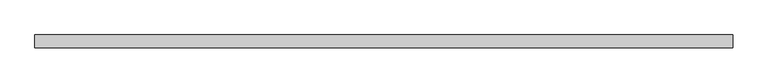
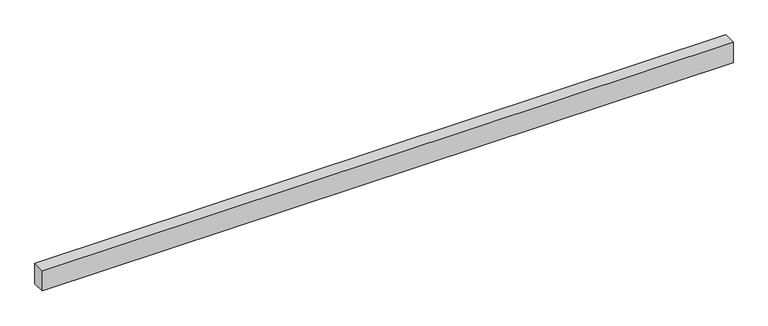
"""IFC4 building model written with IfcOpenShell, lengths in millimetres: proxy geometry."""

import ifcopenshell
import ifcopenshell.guid

model = None  # the IFC model being written
_history = None  # IfcOwnerHistory: only IFC2X3 demands one
_inside = {}  # id of a spatial element -> (the spatial element, [elements in it])
_under = {}  # id of a project, library or spatial element -> (it, [spatial elements below it])
_declared = {}  # id of a project -> (the project, [libraries it declares])
_typed = {}  # id of a type object -> (the type object, [elements of that type])
_made_of = {}  # id of a material, layer set ... -> (it, [elements and type objects made of it])


def new_model(schema):
    """Start an empty IFC model of exactly this schema.

    Asked for "IFC4X3", IfcOpenShell would pick the latest addendum, in which some entities
    have other attributes; the version numbers below select the first issue.
    IFC2X3 requires an IfcOwnerHistory on every rooted entity: one is made here for all.
    """
    global model, _history
    if schema == "IFC4X3":
        model = ifcopenshell.file(schema_version=(4, 3, 0, 0))
    else:
        model = ifcopenshell.file(schema=schema)
    _inside.clear()
    _under.clear()
    _declared.clear()
    _typed.clear()
    _made_of.clear()
    _history = None
    if model.schema == "IFC2X3":
        org = make("IfcOrganization", Name="unknown")
        user = make(
            "IfcPersonAndOrganization",
            ThePerson=make("IfcPerson", FamilyName="unknown"),
            TheOrganization=org,
        )
        app = make(
            "IfcApplication",
            ApplicationDeveloper=org,
            Version="unknown",
            ApplicationFullName="unknown",
            ApplicationIdentifier="unknown",
        )
        _history = make(
            "IfcOwnerHistory",
            OwningUser=user,
            OwningApplication=app,
            ChangeAction="ADDED",
            CreationDate=0,
        )
    return model


def make(cls, **values):
    """One entity of the class cls with the attributes given. An attribute that is None is left unset."""
    return model.create_entity(
        cls, **{name: value for name, value in values.items() if value is not None}
    )


def rooted(cls, **values):
    """An entity with a GlobalId (a new one), such as an element, a storey or a relation."""
    return make(cls, GlobalId=ifcopenshell.guid.new(), OwnerHistory=_history, **values)


def si_unit(unit_type, name, prefix=None):
    """IfcSIUnit, for example si_unit("LENGTHUNIT", "METRE", prefix="MILLI")."""
    return make("IfcSIUnit", UnitType=unit_type, Prefix=prefix, Name=name)


def assignment(units):
    """IfcUnitAssignment: the units of a project."""
    return None if units is None else make("IfcUnitAssignment", Units=units)


def point(xyz):
    """IfcCartesianPoint."""
    return None if xyz is None else make("IfcCartesianPoint", Coordinates=xyz)


def direction(xyz):
    """IfcDirection."""
    return None if xyz is None else make("IfcDirection", DirectionRatios=xyz)


def frame(location, z_axis=None, x_axis=None):
    """IfcAxis2Placement3D, a coordinate frame: its origin and axes. An axis left out is left unset."""
    return make(
        "IfcAxis2Placement3D",
        Location=point(location),
        Axis=direction(z_axis),
        RefDirection=direction(x_axis),
    )


def origin():
    """The frame at (0, 0, 0) with its axes left unset."""
    return frame((0.0, 0.0, 0.0))


def origin_with_axes():
    """The frame at (0, 0, 0) with the z axis (0, 0, 1) and the x axis (1, 0, 0) written out."""
    return frame((0.0, 0.0, 0.0), z_axis=(0.0, 0.0, 1.0), x_axis=(1.0, 0.0, 0.0))


def place(relative_to, where):
    """IfcLocalPlacement: puts the frame where relative to a parent placement (None: the world)."""
    return make(
        "IfcLocalPlacement", PlacementRelTo=relative_to, RelativePlacement=where
    )


def context(
    kind, dimensions, precision=None, world=None, true_north=None, identifier=None
):
    """IfcGeometricRepresentationContext, for example the 3D "Model" context."""
    return make(
        "IfcGeometricRepresentationContext",
        ContextIdentifier=identifier,
        ContextType=kind,
        CoordinateSpaceDimension=dimensions,
        Precision=precision,
        WorldCoordinateSystem=world,
        TrueNorth=true_north,
    )


def project(units=None, contexts=None):
    """IfcProject with its units and contexts."""
    return rooted(
        "IfcProject",
        Name="project",
        RepresentationContexts=contexts,
        UnitsInContext=assignment(units),
    )


def spatial(cls, under=None, at=None, **own):
    """A site, building, storey or space (cls), placed at a placement, below another one or the project."""
    s = rooted(cls, ObjectPlacement=at, **own)
    if under is not None:
        _under.setdefault(under.id(), (under, []))[1].append(s)
    return s


def polyline(points):
    """IfcPolyline through the points."""
    return make("IfcPolyline", Points=[point(p) for p in points])


def outline(outer, holes=None, kind="AREA"):
    """IfcArbitraryClosedProfileDef: a profile drawn as a closed curve; with holes, ...WithVoids."""
    if holes is None:
        return make("IfcArbitraryClosedProfileDef", ProfileType=kind, OuterCurve=outer)
    return make(
        "IfcArbitraryProfileDefWithVoids",
        ProfileType=kind,
        OuterCurve=outer,
        InnerCurves=holes,
    )


def extrude(swept, where, along, depth):
    """IfcExtrudedAreaSolid: the profile swept, set in the frame where, extruded along a direction by depth."""
    return make(
        "IfcExtrudedAreaSolid",
        SweptArea=swept,
        Position=where,
        ExtrudedDirection=direction(along),
        Depth=depth,
    )


def shape(context_of_items, identifier, shape_type, items):
    """IfcShapeRepresentation: the items that make up one representation, for example the "Body"."""
    return make(
        "IfcShapeRepresentation",
        ContextOfItems=context_of_items,
        RepresentationIdentifier=identifier,
        RepresentationType=shape_type,
        Items=items,
    )


def source(mapping_origin, context_of_items, identifier, shape_type, items):
    """IfcRepresentationMap: a shape defined once, which mapped items show again and again."""
    return make(
        "IfcRepresentationMap",
        MappingOrigin=mapping_origin,
        MappedRepresentation=shape(context_of_items, identifier, shape_type, items),
    )


def transform(
    local_origin,
    x_axis=None,
    y_axis=None,
    z_axis=None,
    scale=None,
    scale2=None,
    scale3=None,
    uniform=True,
):
    """IfcCartesianTransformationOperator3D, or its non-uniform kind. x_axis, y_axis, z_axis: its Axis1, 2, 3."""
    if uniform:
        return make(
            "IfcCartesianTransformationOperator3D",
            Axis1=direction(x_axis),
            Axis2=direction(y_axis),
            LocalOrigin=point(local_origin),
            Scale=scale,
            Axis3=direction(z_axis),
        )
    return make(
        "IfcCartesianTransformationOperator3DnonUniform",
        Axis1=direction(x_axis),
        Axis2=direction(y_axis),
        LocalOrigin=point(local_origin),
        Scale=scale,
        Axis3=direction(z_axis),
        Scale2=scale2,
        Scale3=scale3,
    )


def mapped(mapping_source, mapping_target):
    """IfcMappedItem: shows the shape of a source again, moved by a transform."""
    return make(
        "IfcMappedItem", MappingSource=mapping_source, MappingTarget=mapping_target
    )


def made_of(thing, what):
    """Note that an element or type object is made of a material, layer set ...; save() writes the relation."""
    if what is not None:
        _made_of.setdefault(what.id(), (what, []))[1].append(thing)
    return thing


def element(
    cls,
    number,
    at=None,
    inside=None,
    cuts=None,
    type_object=None,
    material=None,
    context=None,
    identifier="Body",
    shape_type=None,
    held_by="IfcProductDefinitionShape",
    body=None,
    shapes=None,
    **own,
):
    """One element of the class cls, such as IfcWall. Its Tag is "e" and its number.

    at: its placement. inside: the storey or other place that contains it. cuts: it is an
    opening in that element (IfcRelVoidsElement). A single representation is given by context,
    identifier, shape_type and body (its items); several are given by shapes. held_by: the class
    of the entity that holds the representations. save() writes the other relations.
    """
    e = rooted(cls, Tag="e%d" % number, ObjectPlacement=at, **own)
    if body is not None:
        shapes = [shape(context, identifier, shape_type, body)]
    if shapes is not None:
        e.Representation = make(held_by, Representations=shapes)
    if inside is not None:
        _inside.setdefault(inside.id(), (inside, []))[1].append(e)
    if cuts is not None:
        rooted(
            "IfcRelVoidsElement", RelatingBuildingElement=cuts, RelatedOpeningElement=e
        )
    if type_object is not None:
        _typed.setdefault(type_object.id(), (type_object, []))[1].append(e)
    return made_of(e, material)


def aggregate(whole, parts):
    """IfcRelAggregates: a whole, such as a stair, and the parts it consists of."""
    return rooted("IfcRelAggregates", RelatingObject=whole, RelatedObjects=parts)


def save(model, path):
    """Write the relations noted so far, then the file.

    IfcRelAggregates (storeys below a building ...), IfcRelContainedInSpatialStructure (elements
    in a storey), IfcRelDefinesByType, IfcRelAssociatesMaterial and IfcRelDeclares: one each for
    every whole, place, type object, material and project.
    """
    for whole, parts in _under.values():
        aggregate(whole, parts)
    for where, things in _inside.values():
        rooted(
            "IfcRelContainedInSpatialStructure",
            RelatedElements=things,
            RelatingStructure=where,
        )
    for kind, things in _typed.values():
        rooted("IfcRelDefinesByType", RelatedObjects=things, RelatingType=kind)
    for what, things in _made_of.values():
        rooted("IfcRelAssociatesMaterial", RelatedObjects=things, RelatingMaterial=what)
    for by, libraries in _declared.values():
        rooted("IfcRelDeclares", RelatingContext=by, RelatedDefinitions=libraries)
    model.write(path)


def generic_models_3a60b1cc(model_context):
    return source(origin(), model_context, "Body", "SweptSolid", [
        extrude(outline(polyline([(16000.0, 300.0), (16000.0, 0.0), (0.0, 0.0), (0.0, 300.0), (16000.0, 300.0)])), origin_with_axes(), (0.0, 0.0, 1.0), 500.0),
    ])


if __name__ == "__main__":
    model = new_model("IFC4")
    model_context = context("Model", 3, world=origin())
    ifc_project = project(units=[si_unit("LENGTHUNIT", "METRE", prefix="MILLI")], contexts=[model_context])
    site = spatial("IfcSite", under=ifc_project)
    building = spatial("IfcBuilding", under=site)
    placement = place(None, origin())
    generic_models_shape = generic_models_3a60b1cc(model_context)
    element("IfcBuildingElementProxy", 1, Name="Generic Models", at=placement, inside=building, context=model_context, shape_type="MappedRepresentation", body=[
        mapped(generic_models_shape, transform((0.0, 0.0, 0.0), x_axis=(1.0, 0.0, 0.0), y_axis=(0.0, 1.0, 0.0), z_axis=(0.0, 0.0, 1.0))),
    ])
    save(model, "model.ifc")
